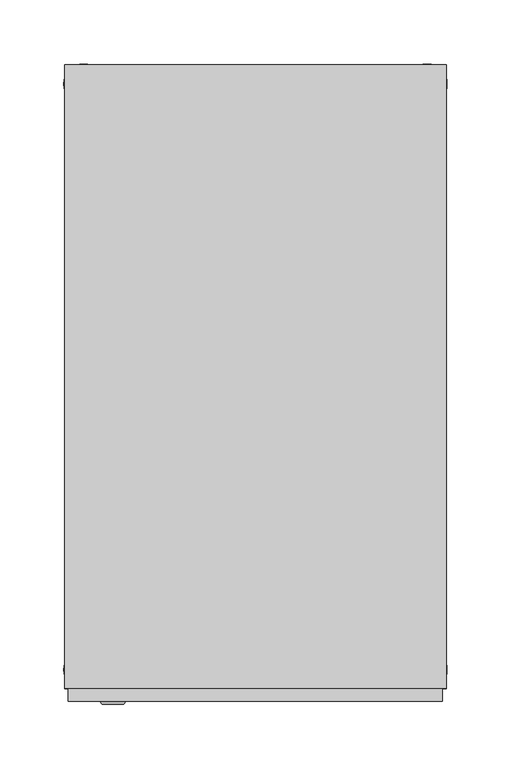
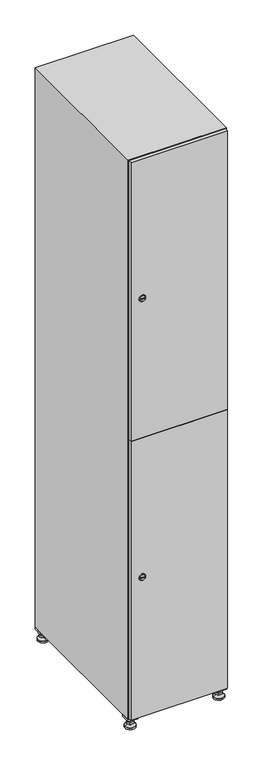
"""IFC4 building model written with IfcOpenShell, lengths in millimetres: furniture geometry."""

import ifcopenshell
import ifcopenshell.guid

model = None  # the IFC model being written
_history = None  # IfcOwnerHistory: only IFC2X3 demands one
_inside = {}  # id of a spatial element -> (the spatial element, [elements in it])
_under = {}  # id of a project, library or spatial element -> (it, [spatial elements below it])
_declared = {}  # id of a project -> (the project, [libraries it declares])
_typed = {}  # id of a type object -> (the type object, [elements of that type])
_made_of = {}  # id of a material, layer set ... -> (it, [elements and type objects made of it])


def new_model(schema):
    """Start an empty IFC model of exactly this schema.

    Asked for "IFC4X3", IfcOpenShell would pick the latest addendum, in which some entities
    have other attributes; the version numbers below select the first issue.
    IFC2X3 requires an IfcOwnerHistory on every rooted entity: one is made here for all.
    """
    global model, _history
    if schema == "IFC4X3":
        model = ifcopenshell.file(schema_version=(4, 3, 0, 0))
    else:
        model = ifcopenshell.file(schema=schema)
    _inside.clear()
    _under.clear()
    _declared.clear()
    _typed.clear()
    _made_of.clear()
    _history = None
    if model.schema == "IFC2X3":
        org = make("IfcOrganization", Name="unknown")
        user = make(
            "IfcPersonAndOrganization",
            ThePerson=make("IfcPerson", FamilyName="unknown"),
            TheOrganization=org,
        )
        app = make(
            "IfcApplication",
            ApplicationDeveloper=org,
            Version="unknown",
            ApplicationFullName="unknown",
            ApplicationIdentifier="unknown",
        )
        _history = make(
            "IfcOwnerHistory",
            OwningUser=user,
            OwningApplication=app,
            ChangeAction="ADDED",
            CreationDate=0,
        )
    return model


def make(cls, **values):
    """One entity of the class cls with the attributes given. An attribute that is None is left unset."""
    return model.create_entity(
        cls, **{name: value for name, value in values.items() if value is not None}
    )


def rooted(cls, **values):
    """An entity with a GlobalId (a new one), such as an element, a storey or a relation."""
    return make(cls, GlobalId=ifcopenshell.guid.new(), OwnerHistory=_history, **values)


def si_unit(unit_type, name, prefix=None):
    """IfcSIUnit, for example si_unit("LENGTHUNIT", "METRE", prefix="MILLI")."""
    return make("IfcSIUnit", UnitType=unit_type, Prefix=prefix, Name=name)


def assignment(units):
    """IfcUnitAssignment: the units of a project."""
    return None if units is None else make("IfcUnitAssignment", Units=units)


def point(xyz):
    """IfcCartesianPoint."""
    return None if xyz is None else make("IfcCartesianPoint", Coordinates=xyz)


def direction(xyz):
    """IfcDirection."""
    return None if xyz is None else make("IfcDirection", DirectionRatios=xyz)


def frame(location, z_axis=None, x_axis=None):
    """IfcAxis2Placement3D, a coordinate frame: its origin and axes. An axis left out is left unset."""
    return make(
        "IfcAxis2Placement3D",
        Location=point(location),
        Axis=direction(z_axis),
        RefDirection=direction(x_axis),
    )


def frame_2d(location, x_axis=None):
    """IfcAxis2Placement2D, a coordinate frame in the plane: its origin and x axis."""
    return make(
        "IfcAxis2Placement2D", Location=point(location), RefDirection=direction(x_axis)
    )


def origin():
    """The frame at (0, 0, 0) with its axes left unset."""
    return frame((0.0, 0.0, 0.0))


def origin_with_axes():
    """The frame at (0, 0, 0) with the z axis (0, 0, 1) and the x axis (1, 0, 0) written out."""
    return frame((0.0, 0.0, 0.0), z_axis=(0.0, 0.0, 1.0), x_axis=(1.0, 0.0, 0.0))


def place(relative_to, where):
    """IfcLocalPlacement: puts the frame where relative to a parent placement (None: the world)."""
    return make(
        "IfcLocalPlacement", PlacementRelTo=relative_to, RelativePlacement=where
    )


def context(
    kind, dimensions, precision=None, world=None, true_north=None, identifier=None
):
    """IfcGeometricRepresentationContext, for example the 3D "Model" context."""
    return make(
        "IfcGeometricRepresentationContext",
        ContextIdentifier=identifier,
        ContextType=kind,
        CoordinateSpaceDimension=dimensions,
        Precision=precision,
        WorldCoordinateSystem=world,
        TrueNorth=true_north,
    )


def project(units=None, contexts=None):
    """IfcProject with its units and contexts."""
    return rooted(
        "IfcProject",
        Name="project",
        RepresentationContexts=contexts,
        UnitsInContext=assignment(units),
    )


def spatial(cls, under=None, at=None, **own):
    """A site, building, storey or space (cls), placed at a placement, below another one or the project."""
    s = rooted(cls, ObjectPlacement=at, **own)
    if under is not None:
        _under.setdefault(under.id(), (under, []))[1].append(s)
    return s


def polyline(points):
    """IfcPolyline through the points."""
    return make("IfcPolyline", Points=[point(p) for p in points])


def circle_curve(where, radius):
    """IfcCircle in the frame where."""
    return make("IfcCircle", Position=where, Radius=radius)


def trimmed(basis, trim1, trim2, sense, master):
    """IfcTrimmedCurve: the piece of a basis curve between two trims."""
    return make(
        "IfcTrimmedCurve",
        BasisCurve=basis,
        Trim1=trim1,
        Trim2=trim2,
        SenseAgreement=sense,
        MasterRepresentation=master,
    )


def segment(curve, same_sense, transition):
    """IfcCompositeCurveSegment."""
    return make(
        "IfcCompositeCurveSegment",
        Transition=transition,
        SameSense=same_sense,
        ParentCurve=curve,
    )


def composite_curve(segments, self_intersect=None):
    """IfcCompositeCurve: segments joined end to end."""
    return make("IfcCompositeCurve", Segments=segments, SelfIntersect=self_intersect)


def outline(outer, holes=None, kind="AREA"):
    """IfcArbitraryClosedProfileDef: a profile drawn as a closed curve; with holes, ...WithVoids."""
    if holes is None:
        return make("IfcArbitraryClosedProfileDef", ProfileType=kind, OuterCurve=outer)
    return make(
        "IfcArbitraryProfileDefWithVoids",
        ProfileType=kind,
        OuterCurve=outer,
        InnerCurves=holes,
    )


def extrude(swept, where, along, depth):
    """IfcExtrudedAreaSolid: the profile swept, set in the frame where, extruded along a direction by depth."""
    return make(
        "IfcExtrudedAreaSolid",
        SweptArea=swept,
        Position=where,
        ExtrudedDirection=direction(along),
        Depth=depth,
    )


def faces_of(points, faces, orient=None, outer=None):
    """IfcFace entities. A face is a list of loops; a loop is a list of indices into points, from 0.

    orient and outer hold one flag for each loop. By default every Orientation is true, the
    first loop of a face is its IfcFaceOuterBound and the others are IfcFaceBound.
    """
    made = []
    for i, loops in enumerate(faces):
        bounds = []
        for j, loop in enumerate(loops):
            is_outer = j == 0 if outer is None else outer[i][j]
            bounds.append(
                make(
                    "IfcFaceOuterBound" if is_outer else "IfcFaceBound",
                    Bound=make("IfcPolyLoop", Polygon=[points[k] for k in loop]),
                    Orientation=True if orient is None else orient[i][j],
                )
            )
        made.append(make("IfcFace", Bounds=bounds))
    return made


def faceted_brep(points, faces, orient=None, outer=None, voids=None):
    """IfcFacetedBrep: a solid bounded by flat faces; with voids (closed shells), ...WithVoids."""
    shared = [point(p) for p in points]
    hull = make("IfcClosedShell", CfsFaces=faces_of(shared, faces, orient, outer))
    if voids is None:
        return make("IfcFacetedBrep", Outer=hull)
    return make(
        "IfcFacetedBrepWithVoids",
        Outer=hull,
        Voids=[
            make(cls, CfsFaces=faces_of(shared, fs, o, b)) for cls, fs, o, b in voids
        ],
    )


def shape(context_of_items, identifier, shape_type, items):
    """IfcShapeRepresentation: the items that make up one representation, for example the "Body"."""
    return make(
        "IfcShapeRepresentation",
        ContextOfItems=context_of_items,
        RepresentationIdentifier=identifier,
        RepresentationType=shape_type,
        Items=items,
    )


def source(mapping_origin, context_of_items, identifier, shape_type, items):
    """IfcRepresentationMap: a shape defined once, which mapped items show again and again."""
    return make(
        "IfcRepresentationMap",
        MappingOrigin=mapping_origin,
        MappedRepresentation=shape(context_of_items, identifier, shape_type, items),
    )


def transform(
    local_origin,
    x_axis=None,
    y_axis=None,
    z_axis=None,
    scale=None,
    scale2=None,
    scale3=None,
    uniform=True,
):
    """IfcCartesianTransformationOperator3D, or its non-uniform kind. x_axis, y_axis, z_axis: its Axis1, 2, 3."""
    if uniform:
        return make(
            "IfcCartesianTransformationOperator3D",
            Axis1=direction(x_axis),
            Axis2=direction(y_axis),
            LocalOrigin=point(local_origin),
            Scale=scale,
            Axis3=direction(z_axis),
        )
    return make(
        "IfcCartesianTransformationOperator3DnonUniform",
        Axis1=direction(x_axis),
        Axis2=direction(y_axis),
        LocalOrigin=point(local_origin),
        Scale=scale,
        Axis3=direction(z_axis),
        Scale2=scale2,
        Scale3=scale3,
    )


def mapped(mapping_source, mapping_target):
    """IfcMappedItem: shows the shape of a source again, moved by a transform."""
    return make(
        "IfcMappedItem", MappingSource=mapping_source, MappingTarget=mapping_target
    )


def made_of(thing, what):
    """Note that an element or type object is made of a material, layer set ...; save() writes the relation."""
    if what is not None:
        _made_of.setdefault(what.id(), (what, []))[1].append(thing)
    return thing


def element(
    cls,
    number,
    at=None,
    inside=None,
    cuts=None,
    type_object=None,
    material=None,
    context=None,
    identifier="Body",
    shape_type=None,
    held_by="IfcProductDefinitionShape",
    body=None,
    shapes=None,
    **own,
):
    """One element of the class cls, such as IfcWall. Its Tag is "e" and its number.

    at: its placement. inside: the storey or other place that contains it. cuts: it is an
    opening in that element (IfcRelVoidsElement). A single representation is given by context,
    identifier, shape_type and body (its items); several are given by shapes. held_by: the class
    of the entity that holds the representations. save() writes the other relations.
    """
    e = rooted(cls, Tag="e%d" % number, ObjectPlacement=at, **own)
    if body is not None:
        shapes = [shape(context, identifier, shape_type, body)]
    if shapes is not None:
        e.Representation = make(held_by, Representations=shapes)
    if inside is not None:
        _inside.setdefault(inside.id(), (inside, []))[1].append(e)
    if cuts is not None:
        rooted(
            "IfcRelVoidsElement", RelatingBuildingElement=cuts, RelatedOpeningElement=e
        )
    if type_object is not None:
        _typed.setdefault(type_object.id(), (type_object, []))[1].append(e)
    return made_of(e, material)


def aggregate(whole, parts):
    """IfcRelAggregates: a whole, such as a stair, and the parts it consists of."""
    return rooted("IfcRelAggregates", RelatingObject=whole, RelatedObjects=parts)


def save(model, path):
    """Write the relations noted so far, then the file.

    IfcRelAggregates (storeys below a building ...), IfcRelContainedInSpatialStructure (elements
    in a storey), IfcRelDefinesByType, IfcRelAssociatesMaterial and IfcRelDeclares: one each for
    every whole, place, type object, material and project.
    """
    for whole, parts in _under.values():
        aggregate(whole, parts)
    for where, things in _inside.values():
        rooted(
            "IfcRelContainedInSpatialStructure",
            RelatedElements=things,
            RelatingStructure=where,
        )
    for kind, things in _typed.values():
        rooted("IfcRelDefinesByType", RelatedObjects=things, RelatingType=kind)
    for what, things in _made_of.values():
        rooted("IfcRelAssociatesMaterial", RelatedObjects=things, RelatingMaterial=what)
    for by, libraries in _declared.values():
        rooted("IfcRelDeclares", RelatingContext=by, RelatedDefinitions=libraries)
    model.write(path)


def plane_surface(at):
    """IfcPlane: the flat surface through the origin of the frame at, square to its z axis."""
    return make("IfcPlane", Position=at)


def revolved_surface(curve, axis_point, axis_direction):
    """IfcSurfaceOfRevolution: the curve turned about the line through axis_point along axis_direction."""
    return make(
        "IfcSurfaceOfRevolution",
        SweptCurve=make("IfcArbitraryOpenProfileDef", ProfileType="CURVE", Curve=curve),
        AxisPosition=make("IfcAxis1Placement", Location=point(axis_point), Axis=direction(axis_direction)),
    )


def advanced_brep(points, edges, surfaces, faces):
    """IfcAdvancedBrep: a solid bounded by faces that lie on surfaces and meet in shared edges.

    An edge is (start, end): straight between two places in points (the first is 0);
    or (start, end, curve); or (start, end, curve, False) where it runs against its curve.
    A face is (place in surfaces, loops), or (place, loops, False) where it looks against
    its surface's normal. A loop lists edges by number (the first is 1), with a minus sign
    where the edge is run from its end to its start. The first loop is the outer one.
    """
    corners = [point(p) for p in points]
    vertices = [make("IfcVertexPoint", VertexGeometry=c) for c in corners]
    made = []
    for start, end, *more in edges:
        made.append(
            make(
                "IfcEdgeCurve",
                EdgeStart=vertices[start],
                EdgeEnd=vertices[end],
                EdgeGeometry=more[0] if more else make("IfcPolyline", Points=[corners[start], corners[end]]),
                SameSense=more[1] if len(more) > 1 else True,
            )
        )
    hull = []
    for where, loops, *sense in faces:
        bounds = []
        for j, loop in enumerate(loops):
            ring = [make("IfcOrientedEdge", EdgeElement=made[abs(k) - 1], Orientation=k > 0) for k in loop]
            bounds.append(
                make(
                    "IfcFaceOuterBound" if j == 0 else "IfcFaceBound",
                    Bound=make("IfcEdgeLoop", EdgeList=ring),
                    Orientation=True,
                )
            )
        hull.append(make("IfcAdvancedFace", Bounds=bounds, FaceSurface=surfaces[where], SameSense=sense[0] if sense else True))
    return make("IfcAdvancedBrep", Outer=make("IfcClosedShell", CfsFaces=hull))


def furniture_ef428cf8(model_context):
    return source(origin(), model_context, "Body", "SolidModel", [
        extrude(outline(polyline([(100.0, 245.0), (100.0, 215.0), (70.0, 215.0), (70.0, 245.0), (100.0, 245.0)]), holes=[polyline([(98.0, 243.0), (72.0, 243.0), (72.0, 217.0), (98.0, 217.0), (98.0, 243.0)])]), frame((0.0, 0.0, 28.5), z_axis=(0.0, 0.0, 1.0), x_axis=(1.0, 0.0, 0.0)), (0.0, 0.0, 1.0), 6.5),
        extrude(outline(polyline([(70.0, -245.0), (70.0, -215.0), (100.0, -215.0), (100.0, -245.0), (70.0, -245.0)]), holes=[polyline([(72.0, -243.0), (98.0, -243.0), (98.0, -217.0), (72.0, -217.0), (72.0, -243.0)])]), frame((0.0, 0.0, 28.5), z_axis=(0.0, 0.0, 1.0), x_axis=(1.0, 0.0, 0.0)), (0.0, 0.0, 1.0), 6.5),
        extrude(outline(polyline([(-170.0, 245.0), (-170.0, 215.0), (-200.0, 215.0), (-200.0, 245.0), (-170.0, 245.0)]), holes=[polyline([(-172.0, 243.0), (-198.0, 243.0), (-198.0, 217.0), (-172.0, 217.0), (-172.0, 243.0)])]), frame((0.0, 0.0, 28.5), z_axis=(0.0, 0.0, 1.0), x_axis=(1.0, 0.0, 0.0)), (0.0, 0.0, 1.0), 6.5),
        extrude(outline(polyline([(-170.0, -215.0), (-170.0, -245.0), (-200.0, -245.0), (-200.0, -215.0), (-170.0, -215.0)]), holes=[polyline([(-198.0, -243.0), (-172.0, -243.0), (-172.0, -217.0), (-198.0, -217.0), (-198.0, -243.0)])]), frame((0.0, 0.0, 28.5), z_axis=(0.0, 0.0, 1.0), x_axis=(1.0, 0.0, 0.0)), (0.0, 0.0, 1.0), 6.5),
        extrude(outline(composite_curve([segment(trimmed(circle_curve(frame_2d((-185.0, 230.0)), 5.0), [point((-180.0, 230.0))], [point((-190.0, 230.0))], False, "CARTESIAN"), True, "CONTINUOUS"), segment(trimmed(circle_curve(frame_2d((-185.0, 230.0)), 5.0), [point((-190.0, 230.0))], [point((-180.0, 230.0))], False, "CARTESIAN"), True, "CONTINUOUS")], self_intersect=False)), frame((0.0, 0.0, 19.6), z_axis=(0.0, 0.0, 1.0), x_axis=(1.0, 0.0, 0.0)), (0.0, 0.0, 1.0), 15.4),
        extrude(outline(composite_curve([segment(trimmed(circle_curve(frame_2d((-185.0, -230.0)), 5.0), [point((-180.0, -230.0))], [point((-190.0, -230.0))], False, "CARTESIAN"), True, "CONTINUOUS"), segment(trimmed(circle_curve(frame_2d((-185.0, -230.0)), 5.0), [point((-190.0, -230.0))], [point((-180.0, -230.0))], False, "CARTESIAN"), True, "CONTINUOUS")], self_intersect=False)), frame((0.0, 0.0, 19.6), z_axis=(0.0, 0.0, 1.0), x_axis=(1.0, 0.0, 0.0)), (0.0, 0.0, 1.0), 15.4),
        extrude(outline(composite_curve([segment(trimmed(circle_curve(frame_2d((85.0, 230.0)), 5.0), [point((90.0, 230.0))], [point((80.0, 230.0))], False, "CARTESIAN"), True, "CONTINUOUS"), segment(trimmed(circle_curve(frame_2d((85.0, 230.0)), 5.0), [point((80.0, 230.0))], [point((90.0, 230.0))], False, "CARTESIAN"), True, "CONTINUOUS")], self_intersect=False)), frame((0.0, 0.0, 19.6), z_axis=(0.0, 0.0, 1.0), x_axis=(1.0, 0.0, 0.0)), (0.0, 0.0, 1.0), 15.4),
        extrude(outline(polyline([(73.4529946, 230.0), (79.2264973, 240.0), (90.7735027, 240.0), (96.5470054, 230.0), (90.7735027, 220.0), (79.2264973, 220.0), (73.4529946, 230.0)])), frame((0.0, 0.0, 13.6), z_axis=(0.0, 0.0, 1.0), x_axis=(1.0, 0.0, 0.0)), (0.0, 0.0, 1.0), 6.0),
        extrude(outline(composite_curve([segment(trimmed(circle_curve(frame_2d((85.0, -230.0)), 5.0), [point((90.0, -230.0))], [point((80.0, -230.0))], False, "CARTESIAN"), True, "CONTINUOUS"), segment(trimmed(circle_curve(frame_2d((85.0, -230.0)), 5.0), [point((80.0, -230.0))], [point((90.0, -230.0))], False, "CARTESIAN"), True, "CONTINUOUS")], self_intersect=False)), frame((0.0, 0.0, 19.6), z_axis=(0.0, 0.0, 1.0), x_axis=(1.0, 0.0, 0.0)), (0.0, 0.0, 1.0), 15.4),
        extrude(outline(polyline([(73.4529946, -230.0), (79.2264973, -220.0), (90.7735027, -220.0), (96.5470054, -230.0), (90.7735027, -240.0), (79.2264973, -240.0), (73.4529946, -230.0)])), frame((0.0, 0.0, 13.6), z_axis=(0.0, 0.0, 1.0), x_axis=(1.0, 0.0, 0.0)), (0.0, 0.0, 1.0), 6.0),
        extrude(outline(composite_curve([segment(trimmed(circle_curve(frame_2d((85.0, 230.0)), 5.0), [point((90.0, 230.0))], [point((80.0, 230.0))], False, "CARTESIAN"), True, "CONTINUOUS"), segment(trimmed(circle_curve(frame_2d((85.0, 230.0)), 5.0), [point((80.0, 230.0))], [point((90.0, 230.0))], False, "CARTESIAN"), True, "CONTINUOUS")], self_intersect=False)), frame((0.0, 0.0, 12.1), z_axis=(0.0, 0.0, 1.0), x_axis=(1.0, 0.0, 0.0)), (0.0, 0.0, 1.0), 1.5),
        extrude(outline(composite_curve([segment(trimmed(circle_curve(frame_2d((85.0, -230.0)), 5.0), [point((90.0, -230.0))], [point((80.0, -230.0))], False, "CARTESIAN"), True, "CONTINUOUS"), segment(trimmed(circle_curve(frame_2d((85.0, -230.0)), 5.0), [point((80.0, -230.0))], [point((90.0, -230.0))], False, "CARTESIAN"), True, "CONTINUOUS")], self_intersect=False)), frame((0.0, 0.0, 12.1), z_axis=(0.0, 0.0, 1.0), x_axis=(1.0, 0.0, 0.0)), (0.0, 0.0, 1.0), 1.5),
        extrude(outline(polyline([(-196.5470054, 230.0), (-190.7735027, 240.0), (-179.2264973, 240.0), (-173.4529946, 230.0), (-179.2264973, 220.0), (-190.7735027, 220.0), (-196.5470054, 230.0)])), frame((0.0, 0.0, 13.6), z_axis=(0.0, 0.0, 1.0), x_axis=(1.0, 0.0, 0.0)), (0.0, 0.0, 1.0), 6.0),
        extrude(outline(polyline([(-196.5470054, -230.0), (-190.7735027, -220.0), (-179.2264973, -220.0), (-173.4529946, -230.0), (-179.2264973, -240.0), (-190.7735027, -240.0), (-196.5470054, -230.0)])), frame((0.0, 0.0, 13.6), z_axis=(0.0, 0.0, 1.0), x_axis=(1.0, 0.0, 0.0)), (0.0, 0.0, 1.0), 6.0),
        extrude(outline(composite_curve([segment(trimmed(circle_curve(frame_2d((-185.0, 230.0)), 5.0), [point((-185.0, 235.0))], [point((-185.0, 225.0))], False, "CARTESIAN"), True, "CONTINUOUS"), segment(trimmed(circle_curve(frame_2d((-185.0, 230.0)), 5.0), [point((-185.0, 225.0))], [point((-185.0, 235.0))], False, "CARTESIAN"), True, "CONTINUOUS")], self_intersect=False)), frame((0.0, 0.0, 12.1), z_axis=(0.0, 0.0, 1.0), x_axis=(1.0, 0.0, 0.0)), (0.0, 0.0, 1.0), 1.5),
        extrude(outline(composite_curve([segment(trimmed(circle_curve(frame_2d((-185.0, -230.0)), 5.0), [point((-180.0, -230.0))], [point((-190.0, -230.0))], False, "CARTESIAN"), True, "CONTINUOUS"), segment(trimmed(circle_curve(frame_2d((-185.0, -230.0)), 5.0), [point((-190.0, -230.0))], [point((-180.0, -230.0))], False, "CARTESIAN"), True, "CONTINUOUS")], self_intersect=False)), frame((0.0, 0.0, 12.1), z_axis=(0.0, 0.0, 1.0), x_axis=(1.0, 0.0, 0.0)), (0.0, 0.0, 1.0), 1.5),
        extrude(outline(composite_curve([segment(trimmed(circle_curve(frame_2d((85.0, 230.0)), 15.75), [point((100.75, 230.0))], [point((69.25, 230.0))], False, "CARTESIAN"), True, "CONTINUOUS"), segment(trimmed(circle_curve(frame_2d((85.0, 230.0)), 15.75), [point((69.25, 230.0))], [point((100.75, 230.0))], False, "CARTESIAN"), True, "CONTINUOUS")], self_intersect=False)), origin_with_axes(), (0.0, 0.0, 1.0), 5.1),
        extrude(outline(composite_curve([segment(trimmed(circle_curve(frame_2d((85.0, -230.0)), 15.75), [point((85.0, -214.25))], [point((85.0, -245.75))], False, "CARTESIAN"), True, "CONTINUOUS"), segment(trimmed(circle_curve(frame_2d((85.0, -230.0)), 15.75), [point((85.0, -245.75))], [point((85.0, -214.25))], False, "CARTESIAN"), True, "CONTINUOUS")], self_intersect=False)), origin_with_axes(), (0.0, 0.0, 1.0), 5.1),
        extrude(outline(composite_curve([segment(trimmed(circle_curve(frame_2d((-185.0, -230.0)), 15.75), [point((-169.25, -230.0))], [point((-200.75, -230.0))], False, "CARTESIAN"), True, "CONTINUOUS"), segment(trimmed(circle_curve(frame_2d((-185.0, -230.0)), 15.75), [point((-200.75, -230.0))], [point((-169.25, -230.0))], False, "CARTESIAN"), True, "CONTINUOUS")], self_intersect=False)), origin_with_axes(), (0.0, 0.0, 1.0), 5.1),
        extrude(outline(composite_curve([segment(trimmed(circle_curve(frame_2d((-185.0, 230.0)), 15.75), [point((-169.25, 230.0))], [point((-200.75, 230.0))], False, "CARTESIAN"), True, "CONTINUOUS"), segment(trimmed(circle_curve(frame_2d((-185.0, 230.0)), 15.75), [point((-200.75, 230.0))], [point((-169.25, 230.0))], False, "CARTESIAN"), True, "CONTINUOUS")], self_intersect=False)), origin_with_axes(), (0.0, 0.0, 1.0), 5.1),
        advanced_brep(
        [(-185.0, 239.5, 12.1), (-185.0, 220.5, 12.1), (-185.0, 214.25, 5.1), (-185.0, 245.75, 5.1)],
        [
            (0, 1, circle_curve(frame((-185.0, 230.0, 12.1), z_axis=(0.0, 0.0, -1.0), x_axis=(0.0, 1.0, 0.0)), 9.5)),
            (1, 2),
            (2, 3, circle_curve(frame((-185.0, 230.0, 5.1), z_axis=(0.0, 0.0, 1.0), x_axis=(0.0, 1.0, 0.0)), 15.75)),
            (3, 0),
            (1, 0, circle_curve(frame((-185.0, 230.0, 12.1), z_axis=(0.0, 0.0, -1.0), x_axis=(0.0, -1.0, 0.0)), 9.5)),
            (3, 2, circle_curve(frame((-185.0, 230.0, 5.1), z_axis=(0.0, 0.0, 1.0), x_axis=(0.0, -1.0, 0.0)), 15.75)),
        ],
        [
            revolved_surface(polyline([(-185.0, 220.5, 12.099999999999998), (-185.0, 214.25, 5.099999999999998)]), (-185.0, 230.0, 22.74), (0.0, 0.0, -1.0)),
            revolved_surface(polyline([(-185.0, 239.5, 12.099999999999998), (-185.0, 245.75, 5.099999999999998)]), (-185.0, 230.0, 22.74), (0.0, 0.0, -1.0)),
            plane_surface(frame((-185.0, 230.0, 5.1), z_axis=(0.0, 0.0, -1.0), x_axis=(1.0, 0.0, 0.0))),
            plane_surface(frame((-185.0, 230.0, 12.1), z_axis=(0.0, 0.0, 1.0), x_axis=(1.0, 0.0, 0.0))),
        ],
        [
            (0, [[1, 2, 3, 4]]),
            (1, [[5, -4, 6, -2]]),
            (2, [[-3, -6]]),
            (3, [[-5, -1]]),
        ],
    ),
        advanced_brep(
        [(85.0, 239.5, 12.1), (85.0, 220.5, 12.1), (85.0, 214.25, 5.1), (85.0, 245.75, 5.1)],
        [
            (0, 1, circle_curve(frame((85.0, 230.0, 12.1), z_axis=(0.0, 0.0, -1.0), x_axis=(0.0, 1.0, 0.0)), 9.5)),
            (1, 2),
            (2, 3, circle_curve(frame((85.0, 230.0, 5.1), z_axis=(0.0, 0.0, 1.0), x_axis=(0.0, 1.0, 0.0)), 15.75)),
            (3, 0),
            (1, 0, circle_curve(frame((85.0, 230.0, 12.1), z_axis=(0.0, 0.0, -1.0), x_axis=(0.0, -1.0, 0.0)), 9.5)),
            (3, 2, circle_curve(frame((85.0, 230.0, 5.1), z_axis=(0.0, 0.0, 1.0), x_axis=(0.0, -1.0, 0.0)), 15.75)),
        ],
        [
            revolved_surface(polyline([(85.0, 220.5, 12.099999999999998), (85.0, 214.25, 5.099999999999998)]), (85.0, 230.0, 22.74), (0.0, 0.0, -1.0)),
            revolved_surface(polyline([(85.0, 239.5, 12.099999999999998), (85.0, 245.75, 5.099999999999998)]), (85.0, 230.0, 22.74), (0.0, 0.0, -1.0)),
            plane_surface(frame((85.0, 230.0, 5.1), z_axis=(0.0, 0.0, -1.0), x_axis=(1.0, 0.0, 0.0))),
            plane_surface(frame((85.0, 230.0, 12.1), z_axis=(0.0, 0.0, 1.0), x_axis=(1.0, 0.0, 0.0))),
        ],
        [
            (0, [[1, 2, 3, 4]]),
            (1, [[5, -4, 6, -2]]),
            (2, [[-3, -6]]),
            (3, [[-5, -1]]),
        ],
    ),
        advanced_brep(
        [(100.75, -230.0, 5.1), (69.25, -230.0, 5.1), (75.5, -230.0, 12.1), (94.5, -230.0, 12.1)],
        [
            (0, 1, circle_curve(frame((85.0, -230.0, 5.1), z_axis=(0.0, 0.0, 1.0), x_axis=(1.0, 0.0, 0.0)), 15.75)),
            (1, 2),
            (2, 3, circle_curve(frame((85.0, -230.0, 12.1), z_axis=(0.0, 0.0, -1.0), x_axis=(1.0, 0.0, 0.0)), 9.5)),
            (3, 0),
            (1, 0, circle_curve(frame((85.0, -230.0, 5.1), z_axis=(0.0, 0.0, 1.0), x_axis=(-1.0, 0.0, 0.0)), 15.75)),
            (3, 2, circle_curve(frame((85.0, -230.0, 12.1), z_axis=(0.0, 0.0, -1.0), x_axis=(-1.0, 0.0, 0.0)), 9.5)),
        ],
        [
            revolved_surface(polyline([(94.5, -230.0, 12.099999999999998), (100.75, -230.0, 5.099999999999998)]), (85.0, -230.0, 22.74), (0.0, 0.0, -1.0)),
            revolved_surface(polyline([(75.5, -230.0, 12.099999999999998), (69.25, -230.0, 5.099999999999998)]), (85.0, -230.0, 22.74), (0.0, 0.0, -1.0)),
            plane_surface(frame((85.0, -230.0, 12.1), z_axis=(0.0, 0.0, 1.0), x_axis=(0.0, 1.0, 0.0))),
            plane_surface(frame((85.0, -230.0, 5.1), z_axis=(0.0, 0.0, -1.0), x_axis=(0.0, 1.0, 0.0))),
        ],
        [
            (0, [[1, 2, 3, 4]]),
            (1, [[5, -4, 6, -2]]),
            (2, [[-3, -6]]),
            (3, [[-5, -1]]),
        ],
    ),
        advanced_brep(
        [(-169.25, -230.0, 5.1), (-200.75, -230.0, 5.1), (-194.5, -230.0, 12.1), (-175.5, -230.0, 12.1)],
        [
            (0, 1, circle_curve(frame((-185.0, -230.0, 5.1), z_axis=(0.0, 0.0, 1.0), x_axis=(1.0, 0.0, 0.0)), 15.75)),
            (1, 2),
            (2, 3, circle_curve(frame((-185.0, -230.0, 12.1), z_axis=(0.0, 0.0, -1.0), x_axis=(1.0, 0.0, 0.0)), 9.5)),
            (3, 0),
            (1, 0, circle_curve(frame((-185.0, -230.0, 5.1), z_axis=(0.0, 0.0, 1.0), x_axis=(-1.0, 0.0, 0.0)), 15.75)),
            (3, 2, circle_curve(frame((-185.0, -230.0, 12.1), z_axis=(0.0, 0.0, -1.0), x_axis=(-1.0, 0.0, 0.0)), 9.5)),
        ],
        [
            revolved_surface(polyline([(-175.5, -230.0, 12.099999999999998), (-169.25, -230.0, 5.099999999999998)]), (-185.0, -230.0, 22.74), (0.0, 0.0, -1.0)),
            revolved_surface(polyline([(-194.5, -230.0, 12.099999999999998), (-200.75, -230.0, 5.099999999999998)]), (-185.0, -230.0, 22.74), (0.0, 0.0, -1.0)),
            plane_surface(frame((-185.0, -230.0, 12.1), z_axis=(0.0, 0.0, 1.0), x_axis=(0.0, 1.0, 0.0))),
            plane_surface(frame((-185.0, -230.0, 5.1), z_axis=(0.0, 0.0, -1.0), x_axis=(0.0, 1.0, 0.0))),
        ],
        [
            (0, [[1, 2, 3, 4]]),
            (1, [[5, -4, 6, -2]]),
            (2, [[-3, -6]]),
            (3, [[-5, -1]]),
        ],
    ),
        extrude(outline(composite_curve([segment(trimmed(circle_curve(frame_2d((486.5, -188.7989466)), 7.0), [point((493.5, -188.7989466))], [point((479.5, -188.7989466))], False, "CARTESIAN"), True, "CONTINUOUS"), segment(polyline([(479.5, -188.7989466), (479.5, -160.7989466)]), True, "CONTINUOUS"), segment(trimmed(circle_curve(frame_2d((486.5, -160.7989466)), 7.0), [point((479.5, -160.7989466))], [point((493.5, -160.7989466))], False, "CARTESIAN"), True, "CONTINUOUS"), segment(polyline([(493.5, -160.7989466), (493.5, -188.7989466)]), True, "CONTINUOUS")], self_intersect=False)), frame((0.0, -245.0, 0.0), z_axis=(0.0, 1.0, 0.0), x_axis=(0.0, 0.0, 1.0)), (0.0, 0.0, 1.0), 2.0),
        advanced_brep(
        [(-153.5, -257.2, 486.5), (-170.5, -257.2, 486.5), (-167.0, -257.2, 485.25), (-167.0, -257.2, 487.75), (-157.0, -257.2, 487.75), (-157.0, -257.2, 485.25), (-151.5, -255.0, 486.5), (-172.5, -255.0, 486.5), (-167.0, -255.0, 487.75), (-167.0, -255.0, 485.25), (-157.0, -255.0, 485.25), (-157.0, -255.0, 487.75)],
        [
            (0, 1, circle_curve(frame((-162.0, -257.2, 486.5), z_axis=(0.0, -1.0, 0.0), x_axis=(1.0, 0.0, 0.0)), 8.5)),
            (1, 0, circle_curve(frame((-162.0, -257.2, 486.5), z_axis=(0.0, -1.0, 0.0), x_axis=(-1.0, 0.0, 0.0)), 8.5)),
            (2, 3),
            (3, 4),
            (4, 5),
            (5, 2),
            (6, 7, circle_curve(frame((-162.0, -255.0, 486.5), z_axis=(0.0, 1.0, 0.0), x_axis=(-1.0, 0.0, 0.0)), 10.5)),
            (7, 6, circle_curve(frame((-162.0, -255.0, 486.5), z_axis=(0.0, 1.0, 0.0), x_axis=(1.0, 0.0, 0.0)), 10.5)),
            (8, 9),
            (9, 10),
            (10, 11),
            (11, 8),
            (0, 6),
            (7, 1),
            (8, 3),
            (2, 9),
            (11, 4),
            (10, 5),
        ],
        [
            plane_surface(frame((-162.0, -257.2, 486.5), z_axis=(0.0, -1.0, 0.0), x_axis=(0.0, 0.0, 1.0))),
            plane_surface(frame((-162.0, -255.0, 486.5), z_axis=(0.0, 1.0, 0.0), x_axis=(0.0, 0.0, 1.0))),
            revolved_surface(polyline([(-153.5, -257.2, 486.5), (-151.5, -255.0, 486.5)]), (-162.0, -266.55, 486.5), (0.0, 1.0, 0.0)),
            revolved_surface(polyline([(-170.5, -257.2, 486.5), (-172.5, -255.0, 486.5)]), (-162.0, -266.55, 486.5), (0.0, 1.0, 0.0)),
            plane_surface(frame((-167.0, -255.0, 485.25), z_axis=(1.0, 0.0, 0.0), x_axis=(0.0, -1.0, 0.0))),
            plane_surface(frame((-167.0, -255.0, 487.75), z_axis=(0.0, 0.0, -1.0), x_axis=(0.0, -1.0, 0.0))),
            plane_surface(frame((-157.0, -255.0, 487.75), z_axis=(-1.0, 0.0, 0.0), x_axis=(0.0, -1.0, 0.0))),
            plane_surface(frame((-157.0, -255.0, 485.25), z_axis=(0.0, 0.0, 1.0), x_axis=(0.0, -1.0, 0.0))),
        ],
        [
            (0, [[1, 2], [3, 4, 5, 6]]),
            (1, [[7, 8], [9, 10, 11, 12]]),
            (2, [[-1, 13, -8, 14]]),
            (3, [[-2, -14, -7, -13]]),
            (4, [[15, -3, 16, -9]]),
            (5, [[-15, -12, 17, -4]]),
            (6, [[-17, -11, 18, -5]]),
            (7, [[-16, -6, -18, -10]]),
        ],
    ),
        extrude(outline(composite_curve([segment(trimmed(circle_curve(frame_2d((1383.5, -188.7989466)), 7.0), [point((1390.5, -188.7989466))], [point((1376.5, -188.7989466))], False, "CARTESIAN"), True, "CONTINUOUS"), segment(polyline([(1376.5, -188.7989466), (1376.5, -160.7989466)]), True, "CONTINUOUS"), segment(trimmed(circle_curve(frame_2d((1383.5, -160.7989466)), 7.0), [point((1376.5, -160.7989466))], [point((1390.5, -160.7989466))], False, "CARTESIAN"), True, "CONTINUOUS"), segment(polyline([(1390.5, -160.7989466), (1390.5, -188.7989466)]), True, "CONTINUOUS")], self_intersect=False)), frame((0.0, -245.0, 0.0), z_axis=(0.0, 1.0, 0.0), x_axis=(0.0, 0.0, 1.0)), (0.0, 0.0, 1.0), 2.0),
        advanced_brep(
        [(-153.5, -257.2, 1383.5), (-170.5, -257.2, 1383.5), (-167.0, -257.2, 1382.25), (-167.0, -257.2, 1384.75), (-157.0, -257.2, 1384.75), (-157.0, -257.2, 1382.25), (-151.5, -255.0, 1383.5), (-172.5, -255.0, 1383.5), (-167.0, -255.0, 1384.75), (-167.0, -255.0, 1382.25), (-157.0, -255.0, 1382.25), (-157.0, -255.0, 1384.75)],
        [
            (0, 1, circle_curve(frame((-162.0, -257.2, 1383.5), z_axis=(0.0, -1.0, 0.0), x_axis=(1.0, 0.0, 0.0)), 8.5)),
            (1, 0, circle_curve(frame((-162.0, -257.2, 1383.5), z_axis=(0.0, -1.0, 0.0), x_axis=(-1.0, 0.0, 0.0)), 8.5)),
            (2, 3),
            (3, 4),
            (4, 5),
            (5, 2),
            (6, 7, circle_curve(frame((-162.0, -255.0, 1383.5), z_axis=(0.0, 1.0, 0.0), x_axis=(-1.0, 0.0, 0.0)), 10.5)),
            (7, 6, circle_curve(frame((-162.0, -255.0, 1383.5), z_axis=(0.0, 1.0, 0.0), x_axis=(1.0, 0.0, 0.0)), 10.5)),
            (8, 9),
            (9, 10),
            (10, 11),
            (11, 8),
            (0, 6),
            (7, 1),
            (8, 3),
            (2, 9),
            (11, 4),
            (10, 5),
        ],
        [
            plane_surface(frame((-162.0, -257.2, 1383.5), z_axis=(0.0, -1.0, 0.0), x_axis=(0.0, 0.0, 1.0))),
            plane_surface(frame((-162.0, -255.0, 1383.5), z_axis=(0.0, 1.0, 0.0), x_axis=(0.0, 0.0, 1.0))),
            revolved_surface(polyline([(-153.5, -257.2, 1383.5), (-151.5, -255.0, 1383.5)]), (-162.0, -266.55, 1383.5), (0.0, 1.0, 0.0)),
            revolved_surface(polyline([(-170.5, -257.2, 1383.5), (-172.5, -255.0, 1383.5)]), (-162.0, -266.55, 1383.5), (0.0, 1.0, 0.0)),
            plane_surface(frame((-167.0, -255.0, 1382.25), z_axis=(1.0, 0.0, 0.0), x_axis=(0.0, -1.0, 0.0))),
            plane_surface(frame((-167.0, -255.0, 1384.75), z_axis=(0.0, 0.0, -1.0), x_axis=(0.0, -1.0, 0.0))),
            plane_surface(frame((-157.0, -255.0, 1384.75), z_axis=(-1.0, 0.0, 0.0), x_axis=(0.0, -1.0, 0.0))),
            plane_surface(frame((-157.0, -255.0, 1382.25), z_axis=(0.0, 0.0, 1.0), x_axis=(0.0, -1.0, 0.0))),
        ],
        [
            (0, [[1, 2], [3, 4, 5, 6]]),
            (1, [[7, 8], [9, 10, 11, 12]]),
            (2, [[-1, 13, -8, 14]]),
            (3, [[-2, -14, -7, -13]]),
            (4, [[15, -3, 16, -9]]),
            (5, [[-15, -12, 17, -4]]),
            (6, [[-17, -11, 18, -5]]),
            (7, [[-16, -6, -18, -10]]),
        ],
    ),
        extrude(outline(polyline([(-197.0, -255.0), (-197.0, -245.0), (97.0, -245.0), (97.0, -255.0), (-197.0, -255.0)])), frame((0.0, 0.0, 38.0), z_axis=(0.0, 0.0, 1.0), x_axis=(1.0, 0.0, 0.0)), (0.0, 0.0, 1.0), 896.5),
        extrude(outline(polyline([(97.0, -245.0), (97.0, -255.0), (-197.0, -255.0), (-197.0, -245.0), (97.0, -245.0)])), frame((0.0, 0.0, 935.5), z_axis=(0.0, 0.0, 1.0), x_axis=(1.0, 0.0, 0.0)), (0.0, 0.0, 1.0), 896.5),
        extrude(outline(polyline([(79.6, 242.0), (79.6, -235.0), (-179.6, -235.0), (-179.6, 242.0), (79.6, 242.0)])), frame((0.0, 0.0, 924.8), z_axis=(0.0, 0.0, 1.0), x_axis=(1.0, 0.0, 0.0)), (0.0, 0.0, 1.0), 20.4),
        faceted_brep([(100.0, -245.0, 35.0), (100.0, -245.0, 1835.0), (-200.0, -245.0, 1835.0), (-200.0, -245.0, 35.0), (79.6, -245.0, 1804.8), (79.6, -245.0, 65.2), (-179.6, -245.0, 65.2), (-179.6, -245.0, 1804.8), (100.0, 245.0, 35.0), (-200.0, 245.0, 35.0), (100.0, 245.0, 1835.0), (-200.0, 245.0, 1835.0), (79.6, 242.0, 1804.8), (79.6, 242.0, 65.2), (-200.0, 245.0, 1804.8), (-179.6, 242.0, 1804.8), (-179.6, 242.0, 65.2)], [[[0, 1, 2, 3], [4, 5, 6, 7]], [[8, 0, 3, 9]], [[1, 0, 8, 10]], [[1, 10, 11, 2]], [[4, 12, 13, 5]], [[9, 3, 2, 11, 14]], [[10, 8, 9, 14, 11]], [[12, 15, 16, 13]], [[15, 7, 6, 16]], [[4, 7, 15, 12]], [[6, 5, 13, 16]]]),
    ])


if __name__ == "__main__":
    model = new_model("IFC4")
    model_context = context("Model", 3, world=origin())
    ifc_project = project(units=[si_unit("LENGTHUNIT", "METRE", prefix="MILLI")], contexts=[model_context])
    site = spatial("IfcSite", under=ifc_project)
    building = spatial("IfcBuilding", under=site)
    placement = place(None, origin())
    furniture_shape = furniture_ef428cf8(model_context)
    element("IfcFurniture", 1, at=placement, inside=building, context=model_context, shape_type="MappedRepresentation", body=[
        mapped(furniture_shape, transform((0.0, 0.0, 0.0), x_axis=(1.0, 0.0, 0.0), y_axis=(0.0, 1.0, 0.0), z_axis=(0.0, 0.0, 1.0))),
    ])
    save(model, "model.ifc")
